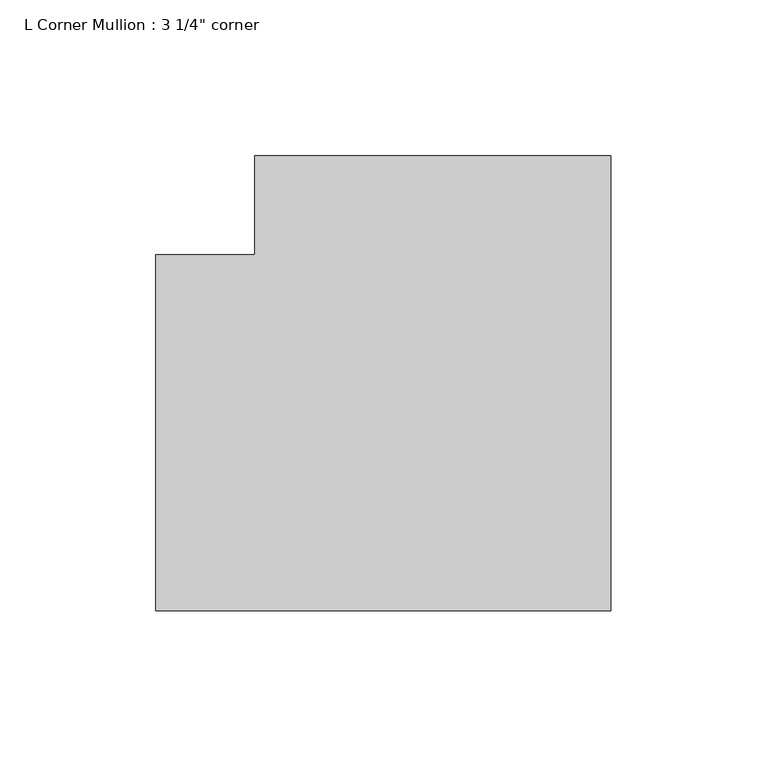
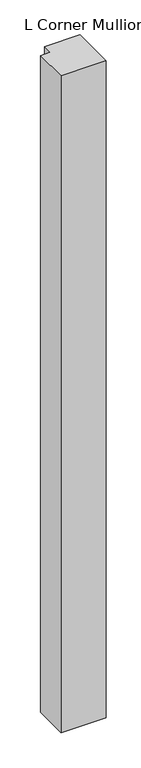
"""IFC4 building model written with IfcOpenShell, lengths in millimetres: member geometry."""

from ifc_helpers import new_model, si_unit, frame, origin, place, context, project, spatial, polyline, outline, extrude, source, transform, mapped, element, save


def member_f8ac5cf4(model_context):
    return source(origin(), model_context, "Body", "SweptSolid", [
        extrude(outline(polyline([(57.15, 88.9), (57.15, -57.15), (-88.9, -57.15), (-88.9, 57.15), (-57.15, 57.15), (-57.15, 88.9), (57.15, 88.9)])), frame((0.0, 0.0, -2241.55), z_axis=(0.0, 0.0, 1.0), x_axis=(1.0, 0.0, 0.0)), (0.0, 0.0, 1.0), 2241.55),
    ])


if __name__ == "__main__":
    model = new_model("IFC4")
    model_context = context("Model", 3, world=origin())
    ifc_project = project(units=[si_unit("LENGTHUNIT", "METRE", prefix="MILLI")], contexts=[model_context])
    site = spatial("IfcSite", under=ifc_project)
    building = spatial("IfcBuilding", under=site)
    placement = place(None, origin())
    member_shape = member_f8ac5cf4(model_context)
    element("IfcMember", 1, ObjectType="L Corner Mullion : 3 1/4\" corner", at=placement, inside=building, context=model_context, shape_type="MappedRepresentation", body=[
        mapped(member_shape, transform((0.0, 0.0, 0.0), x_axis=(1.0, 0.0, 0.0), y_axis=(0.0, 1.0, 0.0), z_axis=(0.0, 0.0, 1.0))),
    ])
    save(model, "model.ifc")
